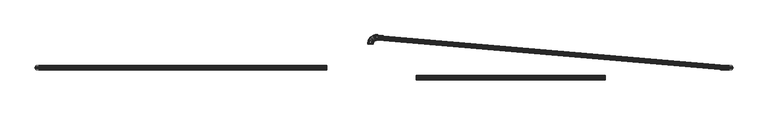
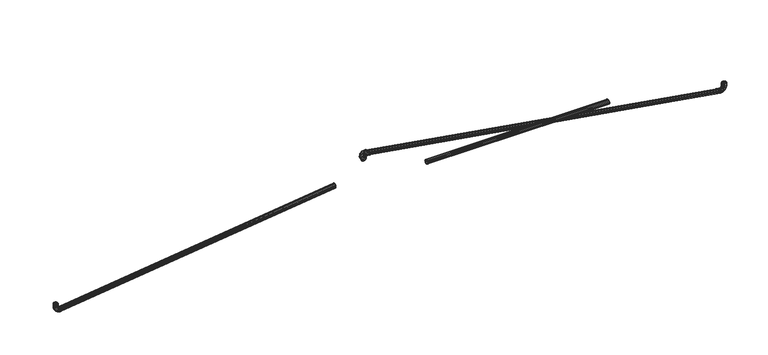
"""IFC4 building model written with IfcOpenShell, lengths in millimetres: furniture geometry."""

from ifc_helpers import new_model, si_unit, origin, place, context, project, spatial, triangles, source, transform, mapped, element, save


def furniture_fc34c2e2(model_context):
    return source(origin(), model_context, "Body", "Tessellation", [
        triangles([(76.2277418, -21.7909482, -42.3306057), (76.2297129, -21.4893269, -43.8469512), (398.6690886, -21.4893269, -43.8344656), (398.6699607, -21.7909482, -42.3183154), (76.2313753, -20.6303882, -45.1324423), (398.668798, -20.6303882, -45.1197977), (76.2324926, -19.3448925, -45.9913833), (398.6689433, -19.3448925, -45.9786252), (76.2328832, -17.828547, -46.2930046), (398.670106, -17.828547, -46.2802056), (76.2324926, -16.3122027, -45.9913833), (398.6689433, -16.3122027, -45.9786252), (76.2313753, -15.026707, -45.1324423), (398.668798, -15.026707, -45.1197977), (76.2297129, -14.1677671, -43.8469512), (398.6690886, -14.1677671, -43.8344656), (76.2277418, -13.8661469, -42.3306057), (398.6699607, -13.8661469, -42.3183154), (76.2257797, -14.1677671, -40.8142647), (398.670324, -14.1677671, -40.8021652), (76.2241083, -15.026707, -39.5287691), (398.6715958, -15.026707, -39.5168376), (76.222991, -16.3122027, -38.669828), (398.6699244, -16.3122027, -38.6580055), (76.2226004, -17.828547, -38.3682113), (398.6699244, -17.828547, -38.3564251), (76.222991, -19.3448925, -38.669828), (398.6699244, -19.3448925, -38.6580055), (76.2241083, -20.6303882, -39.5287691), (398.6715958, -20.6303882, -39.5168376), (76.2257797, -21.4893269, -40.8142647), (398.670324, -21.4893269, -40.8021652), (-76.1752877, 3.153083, -43.8434085), (-76.1772588, 2.8514631, -45.3597495), (-562.0878565, 2.8514631, -106.4454649), (-561.9365576, 3.153083, -104.9293147), (-76.1789257, 1.9925228, -46.6452451), (-562.216119, 1.9925228, -107.7307971), (-76.1800385, 0.7070277, -47.5041816), (-562.3018332, 0.7070277, -108.5896291), (-76.1804291, -0.8093172, -47.8058029), (-562.331955, -0.8093172, -108.8912095), (-76.1800385, -2.325662, -47.5041816), (-562.3018332, -2.325662, -108.5896291), (-76.1789257, -3.6111571, -46.6452451), (-562.216119, -3.6111571, -107.7307971), (-76.1772588, -4.4700973, -45.3597495), (-562.0878565, -4.4700973, -106.4454649), (-76.1752877, -4.7717172, -43.8434085), (-561.9365576, -4.7717172, -104.9293147), (-76.173321, -4.4700973, -42.327063), (-561.7852223, -4.4700973, -103.4131645), (-76.1716542, -3.6111571, -41.0415674), (-561.6569598, -3.6111571, -102.1278414), (-76.1705414, -2.325662, -40.1826309), (-561.5712456, -2.325662, -101.2690094), (-76.1701463, -0.8093172, -39.8810096), (-561.5411239, -0.8093172, -100.967429), (-76.1705414, 0.7070277, -40.1826309), (-561.5712456, 0.7070277, -101.2690094), (-76.1716542, 1.9925228, -41.0415674), (-561.6569598, 1.9925228, -102.1278414), (-76.173321, 2.8514631, -42.327063), (-561.7852223, 2.8514631, -103.4131645), (-565.6882908, 2.8514631, -105.7244424), (-565.0947587, 3.153083, -104.2968406), (-566.1914214, 1.9925228, -106.9346974), (-566.5276291, 0.7070277, -107.743369), (-566.6456815, -0.8093172, -108.027336), (-566.5276291, -2.325662, -107.743369), (-566.1914214, -3.6111571, -106.9346974), (-565.6882908, -4.4700973, -105.7244424), (-565.0947587, -4.7717172, -104.2968406), (-564.501263, -4.4700973, -102.8692479), (-563.9981323, -3.6111571, -101.6589929), (-563.6619246, -2.325662, -100.8503213), (-563.5438723, -0.8093172, -100.5663543), (-563.6619246, 0.7070277, -100.8503213), (-563.9981323, 1.9925228, -101.6589929), (-564.501263, 2.8514631, -102.8692479), (-568.8652044, 2.8514631, -103.5957115), (-567.7705765, 3.153083, -102.5039086), (-569.7932001, 1.9925228, -104.5213), (-570.4132567, 0.7070277, -105.1397579), (-570.6310123, -0.8093172, -105.3569321), (-570.4132567, -2.325662, -105.1397579), (-569.7932001, -3.6111571, -104.5213), (-568.8652044, -4.4700973, -103.5957115), (-567.7705765, -4.7717172, -102.5039086), (-566.6759122, -4.4700973, -101.4121057), (-565.7479165, -3.6111571, -100.4865172), (-565.1278599, -2.325662, -99.8680593), (-564.9101406, -0.8093172, -99.6508851), (-565.1278599, 0.7070277, -99.8680593), (-565.7479165, 1.9925228, -100.4865172), (-566.6759122, 2.8514631, -101.4121057), (-570.9856782, 2.8514631, -100.413275), (-569.5565503, 3.153083, -99.8234763), (-572.1972322, 1.9925228, -100.9132717), (-573.0067758, 0.7070277, -101.2473719), (-573.2910607, -0.8093172, -101.3646885), (-573.0067758, -2.325662, -101.2473719), (-572.1972322, -3.6111571, -100.9132717), (-570.9856782, -4.4700973, -100.413275), (-569.5565503, -4.7717172, -99.8234763), (-568.1274224, -4.4700973, -99.2336867), (-566.9158685, -3.6111571, -98.7336809), (-566.1063249, -2.325662, -98.3995897), (-565.8220399, -0.8093172, -98.2822731), (-566.1063249, 0.7070277, -98.3995897), (-566.9158685, 1.9925228, -98.7336809), (-568.1274224, 2.8514631, -99.2336867), (-571.6973717, 2.8514631, -96.8109967), (-570.1808218, 3.153083, -96.6636128), (-572.9830127, 1.9925228, -96.9359345), (-573.8420809, 0.7070277, -97.0194142), (-574.143734, -0.8093172, -97.0487365), (-573.8420809, -2.325662, -97.0194142), (-572.9830127, -3.6111571, -96.9359345), (-571.6973717, -4.4700973, -96.8109967), (-570.1808218, -4.7717172, -96.6636128), (-568.6642719, -4.4700973, -96.5162381), (-567.3786309, -3.6111571, -96.3912912), (-566.5195627, -2.325662, -96.3078115), (-566.2179096, -0.8093172, -96.2784892), (-566.5195627, 0.7070277, -96.3078115), (-567.3786309, 1.9925228, -96.3912912), (-568.6642719, 2.8514631, -96.5162381), (-571.6749166, 2.8514631, -91.7647022), (-570.1585848, 3.153083, -91.7666734), (-572.9604123, 1.9925228, -91.7630399), (-573.8193715, 0.7070277, -91.7619226), (-574.1209883, -0.8093172, -91.761532), (-573.8193715, -2.325662, -91.7619226), (-572.9604123, -3.6111571, -91.7630399), (-571.6749166, -4.4700973, -91.7647022), (-570.1585848, -4.7717172, -91.7666734), (-568.6422166, -4.4700973, -91.7686355), (-567.3567209, -3.6111571, -91.7703069), (-566.4977981, -2.325662, -91.7714242), (-566.1961813, -0.8093172, -91.7718148), (-566.4977981, 0.7070277, -91.7714242), (-567.3567209, 1.9925228, -91.7703069), (-568.6422166, 2.8514631, -91.7686355), (10.5689985, 46.7389531, -43.4736046), (10.5709663, 47.0405744, -44.9899501), (605.1567029, -4.4700973, -106.4454649), (605.0053677, -4.7717172, -104.9293147), (10.5726343, 47.8995154, -46.2754457), (605.2849654, -3.6111571, -107.7307971), (10.5737482, 49.1850111, -47.1343822), (605.3706797, -2.325662, -108.5896291), (10.5741399, 50.7013566, -47.4360035), (605.4008014, -0.8093172, -108.8912095), (10.5737482, 52.217702, -47.1343822), (605.3706797, 0.7070277, -108.5896291), (10.5726343, 53.5031932, -46.2754457), (605.2849654, 1.9925228, -107.7307971), (10.5709663, 54.3621342, -44.9899501), (605.1567029, 2.8514631, -106.4454649), (10.5689985, 54.6637555, -43.4736046), (605.0053677, 3.153083, -104.9293147), (10.5670308, 54.3621342, -41.9572636), (604.8540688, 2.8514631, -103.4131645), (10.5653628, 53.5031932, -40.671768), (604.7258062, 1.9925228, -102.1278414), (10.5642489, 52.217702, -39.8128315), (604.640092, 0.7070277, -101.2690094), (10.5638571, 50.7013566, -39.5112102), (604.6099703, -0.8093172, -100.967429), (10.5642489, 49.1850111, -39.8128315), (604.640092, -2.325662, -101.2690094), (10.5653628, 47.8995154, -40.671768), (604.7258062, -3.6111571, -102.1278414), (10.5670308, 47.0405744, -41.9572636), (604.8540688, -4.4700973, -103.4131645), (608.7571009, -4.4700973, -105.7244424), (608.1636051, -4.7717172, -104.2968406), (609.2602678, -3.6111571, -106.9346974), (609.5964392, -2.325662, -107.743369), (609.7145279, -0.8093172, -108.027336), (609.5964392, 0.7070277, -107.743369), (609.2602678, 1.9925228, -106.9346974), (608.7571009, 2.8514631, -105.7244424), (608.1636051, 3.153083, -104.2968406), (607.5701094, 2.8514631, -102.8692479), (607.0669787, 1.9925228, -101.6589929), (606.7307711, 0.7070277, -100.8503213), (606.6127187, -0.8093172, -100.5663543), (606.7307711, -2.325662, -100.8503213), (607.0669787, -3.6111571, -101.6589929), (607.5701094, -4.4700973, -102.8692479), (611.9340145, -4.4700973, -103.5957115), (610.8393866, -4.7717172, -102.5039086), (612.8620102, -3.6111571, -104.5213), (613.4821032, -2.325662, -105.1397579), (613.6998224, -0.8093172, -105.3569321), (613.4821032, 0.7070277, -105.1397579), (612.8620102, 1.9925228, -104.5213), (611.9340145, 2.8514631, -103.5957115), (610.8393866, 3.153083, -102.5039086), (609.7447586, 2.8514631, -101.4121057), (608.8167629, 1.9925228, -100.4865172), (608.1967063, 0.7070277, -99.8680593), (607.978987, -0.8093172, -99.6508851), (608.1967063, -2.325662, -99.8680593), (608.8167629, -3.6111571, -100.4865172), (609.7447586, -4.4700973, -101.4121057), (614.0545246, -4.4700973, -100.413275), (612.6253967, -4.7717172, -99.8234763), (615.2660786, -3.6111571, -100.9132717), (616.0756222, -2.325662, -101.2473719), (616.3599072, -0.8093172, -101.3646885), (616.0756222, 0.7070277, -101.2473719), (615.2660786, 1.9925228, -100.9132717), (614.0545246, 2.8514631, -100.413275), (612.6253967, 3.153083, -99.8234763), (611.1962688, 2.8514631, -99.2336867), (609.9847149, 1.9925228, -98.7336809), (609.1751713, 0.7070277, -98.3995897), (608.8908863, -0.8093172, -98.2822731), (609.1751713, -2.325662, -98.3995897), (609.9847149, -3.6111571, -98.7336809), (611.1962688, -4.4700973, -99.2336867), (614.7661818, -4.4700973, -96.8109967), (613.2496319, -4.7717172, -96.6636128), (616.0518591, -3.6111571, -96.9359345), (616.910891, -2.325662, -97.0194142), (617.2125441, -0.8093172, -97.0487365), (616.910891, 0.7070277, -97.0194142), (616.0518591, 1.9925228, -96.9359345), (614.7661818, 2.8514631, -96.8109967), (613.2496319, 3.153083, -96.6636128), (611.7331547, 2.8514631, -96.5162381), (610.4474773, 1.9925228, -96.3912912), (609.5884091, 0.7070277, -96.3078115), (609.286756, -0.8093172, -96.2784892), (609.5884091, -2.325662, -96.3078115), (610.4474773, -3.6111571, -96.3912912), (611.7331547, -4.4700973, -96.5162381), (614.7437994, -4.4700973, -91.7647022), (613.2273949, -4.7717172, -91.7666734), (616.0292587, -3.6111571, -91.7630399), (616.8882179, -2.325662, -91.7619226), (617.1897984, -0.8093172, -91.761532), (616.8882179, 0.7070277, -91.7619226), (616.0292587, 1.9925228, -91.7630399), (614.7437994, 2.8514631, -91.7647022), (613.2273949, 3.153083, -91.7666734), (611.711063, 2.8514631, -91.7686355), (610.4256037, 1.9925228, -91.7703069), (609.5666445, 0.7070277, -91.7714242), (609.2650277, -0.8093172, -91.7718148), (609.5666445, -2.325662, -91.7714242), (610.4256037, -3.6111571, -91.7703069), (611.711063, -4.4700973, -91.7686355), (10.6183812, 50.9446965, -38.7889296), (10.6160206, 52.7643075, -39.1508761), (8.4026496, 52.7493284, -39.1508761), (8.5842263, 50.9299491, -38.7889296), (10.6140187, 54.3069005, -40.1816044), (8.2487158, 54.2917215, -40.1816044), (10.6126812, 55.3376288, -41.7241974), (8.1458605, 55.3223181, -41.7241974), (10.6122111, 55.6995707, -43.5438129), (8.1097424, 55.6842147, -43.5438129), (10.6126812, 55.3376288, -45.3634238), (8.1458605, 55.3223181, -45.3634238), (10.6140187, 54.3069005, -46.9060214), (8.2487158, 54.2917215, -46.9060214), (10.6160206, 52.7643075, -47.9367497), (8.4026496, 52.7493284, -47.9367497), (10.6183812, 50.9446965, -48.2986916), (8.5842263, 50.9299491, -48.2986916), (10.6207418, 49.125081, -47.9367497), (8.7658036, 49.1105698, -47.9367497), (10.6227437, 47.5824926, -46.9060214), (8.9197374, 47.5681721, -46.9060214), (10.6240813, 46.5517643, -45.3634238), (9.0225927, 46.5375755, -45.3634238), (10.6245502, 46.1898178, -43.5438129), (9.0587102, 46.1756789, -43.5438129), (10.6240813, 46.5517643, -41.7241974), (9.0225927, 46.5375755, -41.7241974), (10.6227437, 47.5824926, -40.1816044), (8.9197374, 47.5681721, -40.1816044), (10.6207418, 49.125081, -39.1508761), (8.7658036, 49.1105698, -39.1508761), (4.0821446, 51.8840969, -39.1508761), (4.7943459, 50.1709792, -38.7889296), (3.4783695, 53.3364065, -40.1816044), (3.0749398, 54.3068096, -41.7241974), (2.9332739, 54.6475683, -43.5438129), (3.0749398, 54.3068096, -45.3634238), (3.4783695, 53.3364065, -46.9060214), (4.0821446, 51.8840969, -47.9367497), (4.7943459, 50.1709792, -48.2986916), (5.5065475, 48.4578661, -47.9367497), (6.1103227, 47.0055565, -46.9060214), (6.5137523, 46.0351534, -45.3634238), (6.6554179, 45.6943947, -43.5438129), (6.5137523, 46.0351534, -41.7241974), (6.1103227, 47.0055565, -40.1816044), (5.5065475, 48.4578661, -39.1508761), (0.2698278, 49.3296289, -39.1508761), (1.5833973, 48.0194618, -38.7889296), (-0.8437627, 50.4403305, -40.1816044), (-1.58784, 51.1824818, -41.7241974), (-1.8491252, 51.44309, -43.5438129), (-1.58784, 51.1824818, -45.3634238), (-0.8437627, 50.4403305, -46.9060214), (0.2698278, 49.3296289, -47.9367497), (1.5833973, 48.0194618, -48.2986916), (2.8969667, 46.7092946, -47.9367497), (4.0105573, 45.598593, -46.9060214), (4.7546346, 44.8564417, -45.3634238), (5.0159195, 44.5958335, -43.5438129), (4.7546346, 44.8564417, -41.7241974), (4.0105573, 45.598593, -40.1816044), (2.8969667, 46.7092946, -39.1508761), (-2.2747405, 45.5106941, -39.1508761), (-0.559782, 44.8029384, -38.7889296), (-3.7286119, 46.1106984, -40.1816044), (-4.700058, 46.5116096, -41.7241974), (-5.0411843, 46.6523895, -43.5438129), (-4.700058, 46.5116096, -45.3634238), (-3.7286119, 46.1106984, -46.9060214), (-2.2747405, 45.5106941, -47.9367497), (-0.559782, 44.8029384, -48.2986916), (1.1551765, 44.0951873, -47.9367497), (2.609048, 43.495183, -46.9060214), (3.5804941, 43.0942718, -45.3634238), (3.9216206, 42.9534919, -43.5438129), (3.5804941, 43.0942718, -41.7241974), (2.609048, 43.495183, -40.1816044), (1.1551765, 44.0951873, -39.1508761), (-3.128757, 41.1879565, -39.1508761), (-1.3089121, 41.011105, -38.7889296), (-4.6715467, 41.3378883, -40.1816044), (-5.7024062, 41.4380684, -41.7241974), (-6.0643958, 41.4732498, -43.5438129), (-5.7024062, 41.4380684, -45.3634238), (-4.6715467, 41.3378883, -46.9060214), (-3.128757, 41.1879565, -47.9367497), (-1.3089121, 41.011105, -48.2986916), (0.5109327, 40.834249, -47.9367497), (2.0537227, 40.6843172, -46.9060214), (3.0845819, 40.5841371, -45.3634238), (3.4465715, 40.5489603, -43.5438129), (3.0845819, 40.5841371, -41.7241974), (2.0537227, 40.6843172, -40.1816044), (0.5109327, 40.834249, -39.1508761), (-3.1018297, 39.3699988, -39.1508761), (-1.2822174, 39.3723606, -38.7889296), (-4.6444223, 39.3680004, -40.1816044), (-5.6751498, 39.3666605, -41.7241974), (-6.0370935, 39.3661927, -43.5438129), (-5.6751498, 39.3666605, -45.3634238), (-4.6444223, 39.3680004, -46.9060214), (-3.1018297, 39.3699988, -47.9367497), (-1.2822174, 39.3723606, -48.2986916), (0.5373949, 39.3747223, -47.9367497), (2.0799876, 39.3767253, -46.9060214), (3.1107153, 39.3780606, -45.3634238), (3.4726586, 39.3785284, -43.5438129), (3.1107153, 39.3780606, -41.7241974), (2.0799876, 39.3767253, -40.1816044), (0.5373949, 39.3747223, -39.1508761)], [[1, 2, 3], [1, 3, 4], [2, 5, 6], [2, 6, 3], [5, 7, 8], [5, 8, 6], [7, 9, 10], [7, 10, 8], [9, 11, 12], [9, 12, 10], [11, 13, 14], [11, 14, 12], [13, 15, 16], [13, 16, 14], [15, 17, 18], [15, 18, 16], [17, 19, 20], [17, 20, 18], [19, 21, 22], [19, 22, 20], [21, 23, 24], [21, 24, 22], [23, 25, 26], [23, 26, 24], [25, 27, 28], [25, 28, 26], [27, 29, 30], [27, 30, 28], [29, 31, 32], [29, 32, 30], [31, 1, 4], [31, 4, 32], [33, 34, 35], [33, 35, 36], [34, 37, 38], [34, 38, 35], [37, 39, 40], [37, 40, 38], [39, 41, 42], [39, 42, 40], [41, 43, 44], [41, 44, 42], [43, 45, 46], [43, 46, 44], [45, 47, 48], [45, 48, 46], [47, 49, 50], [47, 50, 48], [49, 51, 52], [49, 52, 50], [51, 53, 54], [51, 54, 52], [53, 55, 56], [53, 56, 54], [55, 57, 58], [55, 58, 56], [57, 59, 60], [57, 60, 58], [59, 61, 62], [59, 62, 60], [61, 63, 64], [61, 64, 62], [63, 33, 36], [63, 36, 64], [65, 66, 36], [65, 36, 35], [67, 65, 35], [67, 35, 38], [68, 67, 38], [68, 38, 40], [69, 68, 40], [69, 40, 42], [70, 69, 44], [69, 42, 44], [71, 70, 46], [70, 44, 46], [72, 71, 48], [71, 46, 48], [73, 72, 50], [72, 48, 50], [74, 73, 52], [73, 50, 52], [75, 74, 54], [74, 52, 54], [76, 75, 56], [75, 54, 56], [77, 76, 58], [76, 56, 58], [78, 77, 58], [78, 58, 60], [79, 78, 60], [79, 60, 62], [80, 79, 62], [80, 62, 64], [66, 80, 64], [66, 64, 36], [81, 82, 66], [81, 66, 65], [83, 81, 65], [83, 65, 67], [84, 83, 67], [84, 67, 68], [85, 84, 68], [85, 68, 69], [86, 85, 70], [85, 69, 70], [87, 86, 70], [87, 70, 71], [88, 87, 71], [88, 71, 72], [89, 88, 72], [89, 72, 73], [90, 89, 73], [90, 73, 74], [91, 90, 74], [91, 74, 75], [92, 91, 76], [91, 75, 76], [93, 92, 77], [92, 76, 77], [94, 93, 77], [94, 77, 78], [95, 94, 78], [95, 78, 79], [96, 95, 79], [96, 79, 80], [82, 96, 80], [82, 80, 66], [97, 98, 82], [97, 82, 81], [99, 97, 81], [99, 81, 83], [100, 99, 83], [100, 83, 84], [101, 100, 84], [101, 84, 85], [102, 101, 85], [102, 85, 86], [103, 102, 86], [103, 86, 87], [104, 103, 87], [104, 87, 88], [105, 104, 88], [105, 88, 89], [106, 105, 89], [106, 89, 90], [107, 106, 90], [107, 90, 91], [108, 107, 91], [108, 91, 92], [109, 108, 93], [108, 92, 93], [110, 109, 93], [110, 93, 94], [111, 110, 94], [111, 94, 95], [112, 111, 95], [112, 95, 96], [98, 112, 96], [98, 96, 82], [113, 114, 98], [113, 98, 97], [115, 113, 97], [115, 97, 99], [116, 115, 99], [116, 99, 100], [117, 116, 100], [117, 100, 101], [118, 117, 101], [118, 101, 102], [119, 118, 102], [119, 102, 103], [120, 119, 103], [120, 103, 104], [121, 120, 104], [121, 104, 105], [122, 121, 105], [122, 105, 106], [123, 122, 106], [123, 106, 107], [124, 123, 107], [124, 107, 108], [125, 124, 108], [125, 108, 109], [126, 125, 109], [126, 109, 110], [127, 126, 110], [127, 110, 111], [128, 127, 111], [128, 111, 112], [114, 128, 112], [114, 112, 98], [129, 130, 113], [130, 114, 113], [131, 129, 113], [131, 113, 115], [132, 131, 115], [132, 115, 116], [133, 132, 117], [132, 116, 117], [134, 133, 117], [134, 117, 118], [135, 134, 118], [135, 118, 119], [136, 135, 119], [136, 119, 120], [137, 136, 120], [137, 120, 121], [138, 137, 121], [138, 121, 122], [139, 138, 122], [139, 122, 123], [140, 139, 123], [140, 123, 124], [141, 140, 124], [141, 124, 125], [142, 141, 125], [142, 125, 126], [143, 142, 126], [143, 126, 127], [144, 143, 127], [144, 127, 128], [130, 144, 128], [130, 128, 114], [145, 146, 147], [145, 147, 148], [146, 149, 150], [146, 150, 147], [149, 151, 152], [149, 152, 150], [151, 153, 154], [151, 154, 152], [153, 155, 156], [153, 156, 154], [155, 157, 158], [155, 158, 156], [157, 159, 160], [157, 160, 158], [159, 161, 162], [159, 162, 160], [161, 163, 164], [161, 164, 162], [163, 165, 166], [163, 166, 164], [165, 167, 168], [165, 168, 166], [167, 169, 170], [167, 170, 168], [169, 171, 172], [169, 172, 170], [171, 173, 174], [171, 174, 172], [173, 175, 176], [173, 176, 174], [175, 145, 148], [175, 148, 176], [177, 178, 148], [177, 148, 147], [179, 177, 147], [179, 147, 150], [180, 179, 150], [180, 150, 152], [181, 180, 152], [181, 152, 154], [182, 181, 156], [181, 154, 156], [183, 182, 158], [182, 156, 158], [184, 183, 160], [183, 158, 160], [185, 184, 162], [184, 160, 162], [186, 185, 164], [185, 162, 164], [187, 186, 166], [186, 164, 166], [188, 187, 168], [187, 166, 168], [189, 188, 170], [188, 168, 170], [190, 189, 170], [190, 170, 172], [191, 190, 172], [191, 172, 174], [192, 191, 174], [192, 174, 176], [178, 192, 176], [178, 176, 148], [193, 194, 178], [193, 178, 177], [195, 193, 177], [195, 177, 179], [196, 195, 179], [196, 179, 180], [197, 196, 180], [197, 180, 181], [198, 197, 182], [197, 181, 182], [199, 198, 182], [199, 182, 183], [200, 199, 183], [200, 183, 184], [201, 200, 184], [201, 184, 185], [202, 201, 185], [202, 185, 186], [203, 202, 186], [203, 186, 187], [204, 203, 188], [203, 187, 188], [205, 204, 189], [204, 188, 189], [206, 205, 189], [206, 189, 190], [207, 206, 190], [207, 190, 191], [208, 207, 191], [208, 191, 192], [194, 208, 192], [194, 192, 178], [209, 210, 194], [209, 194, 193], [211, 209, 193], [211, 193, 195], [212, 211, 195], [212, 195, 196], [213, 212, 196], [213, 196, 197], [214, 213, 197], [214, 197, 198], [215, 214, 198], [215, 198, 199], [216, 215, 199], [216, 199, 200], [217, 216, 200], [217, 200, 201], [218, 217, 201], [218, 201, 202], [219, 218, 202], [219, 202, 203], [220, 219, 203], [220, 203, 204], [221, 220, 205], [220, 204, 205], [222, 221, 205], [222, 205, 206], [223, 222, 206], [223, 206, 207], [224, 223, 207], [224, 207, 208], [210, 224, 208], [210, 208, 194], [225, 226, 210], [225, 210, 209], [227, 225, 209], [227, 209, 211], [228, 227, 211], [228, 211, 212], [229, 228, 212], [229, 212, 213], [230, 229, 213], [230, 213, 214], [231, 230, 214], [231, 214, 215], [232, 231, 215], [232, 215, 216], [233, 232, 216], [233, 216, 217], [234, 233, 217], [234, 217, 218], [235, 234, 218], [235, 218, 219], [236, 235, 219], [236, 219, 220], [237, 236, 220], [237, 220, 221], [238, 237, 221], [238, 221, 222], [239, 238, 222], [239, 222, 223], [240, 239, 223], [240, 223, 224], [226, 240, 224], [226, 224, 210], [241, 242, 225], [242, 226, 225], [243, 241, 225], [243, 225, 227], [244, 243, 227], [244, 227, 228], [245, 244, 229], [244, 228, 229], [246, 245, 229], [246, 229, 230], [247, 246, 230], [247, 230, 231], [248, 247, 231], [248, 231, 232], [249, 248, 232], [249, 232, 233], [250, 249, 233], [250, 233, 234], [251, 250, 234], [251, 234, 235], [252, 251, 235], [252, 235, 236], [253, 252, 236], [253, 236, 237], [254, 253, 237], [254, 237, 238], [255, 254, 238], [255, 238, 239], [256, 255, 239], [256, 239, 240], [242, 256, 240], [242, 240, 226], [257, 258, 259], [257, 259, 260], [258, 261, 262], [258, 262, 259], [261, 263, 264], [261, 264, 262], [263, 265, 266], [263, 266, 264], [265, 267, 268], [265, 268, 266], [267, 269, 270], [267, 270, 268], [269, 271, 272], [269, 272, 270], [271, 273, 274], [271, 274, 272], [273, 275, 276], [273, 276, 274], [275, 277, 278], [275, 278, 276], [277, 279, 280], [277, 280, 278], [279, 281, 282], [279, 282, 280], [281, 283, 284], [281, 284, 282], [283, 285, 286], [283, 286, 284], [285, 287, 288], [285, 288, 286], [287, 257, 260], [287, 260, 288], [289, 290, 259], [290, 260, 259], [291, 289, 262], [289, 259, 262], [292, 291, 264], [291, 262, 264], [293, 292, 266], [292, 264, 266], [294, 293, 268], [293, 266, 268], [295, 294, 270], [294, 268, 270], [296, 295, 270], [296, 270, 272], [297, 296, 272], [297, 272, 274], [298, 297, 274], [298, 274, 276], [299, 298, 276], [299, 276, 278], [300, 299, 278], [300, 278, 280], [301, 300, 280], [301, 280, 282], [302, 301, 282], [302, 282, 284], [303, 302, 284], [303, 284, 286], [304, 303, 288], [303, 286, 288], [290, 304, 260], [304, 288, 260], [305, 306, 289], [306, 290, 289], [307, 305, 291], [305, 289, 291], [308, 307, 292], [307, 291, 292], [309, 308, 293], [308, 292, 293], [310, 309, 294], [309, 293, 294], [311, 310, 295], [310, 294, 295], [312, 311, 295], [312, 295, 296], [313, 312, 296], [313, 296, 297], [314, 313, 297], [314, 297, 298], [315, 314, 298], [315, 298, 299], [316, 315, 299], [316, 299, 300], [317, 316, 300], [317, 300, 301], [318, 317, 301], [318, 301, 302], [319, 318, 302], [319, 302, 303], [320, 319, 303], [320, 303, 304], [306, 320, 290], [320, 304, 290], [321, 322, 305], [322, 306, 305], [323, 321, 307], [321, 305, 307], [324, 323, 308], [323, 307, 308], [325, 324, 309], [324, 308, 309], [326, 325, 310], [325, 309, 310], [327, 326, 311], [326, 310, 311], [328, 327, 311], [328, 311, 312], [329, 328, 312], [329, 312, 313], [330, 329, 313], [330, 313, 314], [331, 330, 314], [331, 314, 315], [332, 331, 315], [332, 315, 316], [333, 332, 316], [333, 316, 317], [334, 333, 317], [334, 317, 318], [335, 334, 318], [335, 318, 319], [336, 335, 319], [336, 319, 320], [322, 336, 320], [322, 320, 306], [337, 338, 321], [338, 322, 321], [339, 337, 323], [337, 321, 323], [340, 339, 324], [339, 323, 324], [341, 340, 325], [340, 324, 325], [342, 341, 326], [341, 325, 326], [343, 342, 327], [342, 326, 327], [344, 343, 328], [343, 327, 328], [345, 344, 328], [345, 328, 329], [346, 345, 329], [346, 329, 330], [347, 346, 330], [347, 330, 331], [348, 347, 331], [348, 331, 332], [349, 348, 332], [349, 332, 333], [350, 349, 333], [350, 333, 334], [351, 350, 334], [351, 334, 335], [352, 351, 335], [352, 335, 336], [338, 352, 336], [338, 336, 322], [353, 354, 338], [353, 338, 337], [355, 353, 337], [355, 337, 339], [356, 355, 339], [356, 339, 340], [357, 356, 340], [357, 340, 341], [358, 357, 341], [358, 341, 342], [359, 358, 342], [359, 342, 343], [360, 359, 343], [360, 343, 344], [361, 360, 344], [361, 344, 345], [362, 361, 345], [362, 345, 346], [363, 362, 346], [363, 346, 347], [364, 363, 347], [364, 347, 348], [365, 364, 348], [365, 348, 349], [366, 365, 349], [366, 349, 350], [367, 366, 350], [367, 350, 351], [368, 367, 351], [368, 351, 352], [354, 368, 352], [354, 352, 338]], closed=False),
    ])


if __name__ == "__main__":
    model = new_model("IFC4")
    model_context = context("Model", 3, world=origin())
    ifc_project = project(units=[si_unit("LENGTHUNIT", "METRE", prefix="MILLI")], contexts=[model_context])
    site = spatial("IfcSite", under=ifc_project)
    building = spatial("IfcBuilding", under=site)
    placement = place(None, origin())
    furniture_shape = furniture_fc34c2e2(model_context)
    element("IfcFurniture", 1, at=placement, inside=building, context=model_context, shape_type="MappedRepresentation", body=[
        mapped(furniture_shape, transform((0.0, 0.0, 0.0), x_axis=(1.0, 0.0, 0.0), y_axis=(0.0, 1.0, 0.0), z_axis=(0.0, 0.0, 1.0))),
    ])
    save(model, "model.ifc")
